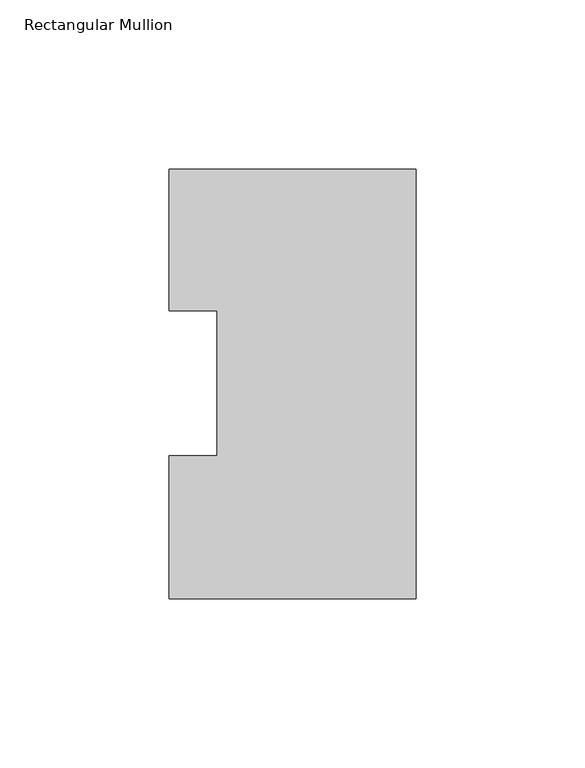
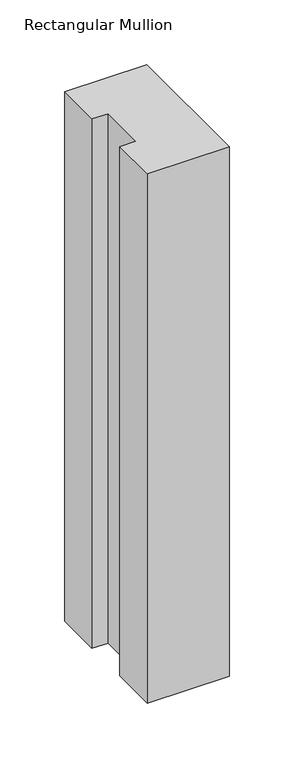
"""IFC4 building model written with IfcOpenShell, lengths in millimetres: member geometry, Rectangular Mullion."""

from ifc_helpers import new_model, si_unit, frame, origin, place, context, project, spatial, polyline, outline, extrude, source, transform, mapped, element, save


def rectangular_mullion_fe91c344(model_context):
    return source(origin(), model_context, "Body", "SweptSolid", [
        extrude(outline(polyline([(0.0, 126.9888875), (0.0, -0.0111125), (-73.025, -0.0111125), (-73.025, 42.2798875), (-58.7375, 42.2798875), (-58.7375, 85.1296875), (-73.025, 85.1296875), (-73.025, 126.9888875), (0.0, 126.9888875)])), frame((0.0, 0.0, -498.475), z_axis=(0.0, 0.0, 1.0), x_axis=(1.0, 0.0, 0.0)), (0.0, 0.0, 1.0), 498.475),
    ])


if __name__ == "__main__":
    model = new_model("IFC4")
    model_context = context("Model", 3, world=origin())
    ifc_project = project(units=[si_unit("LENGTHUNIT", "METRE", prefix="MILLI")], contexts=[model_context])
    site = spatial("IfcSite", under=ifc_project)
    building = spatial("IfcBuilding", under=site)
    placement = place(None, origin())
    rectangular_mullion_shape = rectangular_mullion_fe91c344(model_context)
    element("IfcMember", 1, ObjectType="Rectangular Mullion", at=placement, inside=building, context=model_context, shape_type="MappedRepresentation", body=[
        mapped(rectangular_mullion_shape, transform((0.0, 0.0, 0.0), x_axis=(1.0, 0.0, 0.0), y_axis=(0.0, 1.0, 0.0), z_axis=(0.0, 0.0, 1.0))),
    ])
    save(model, "model.ifc")
